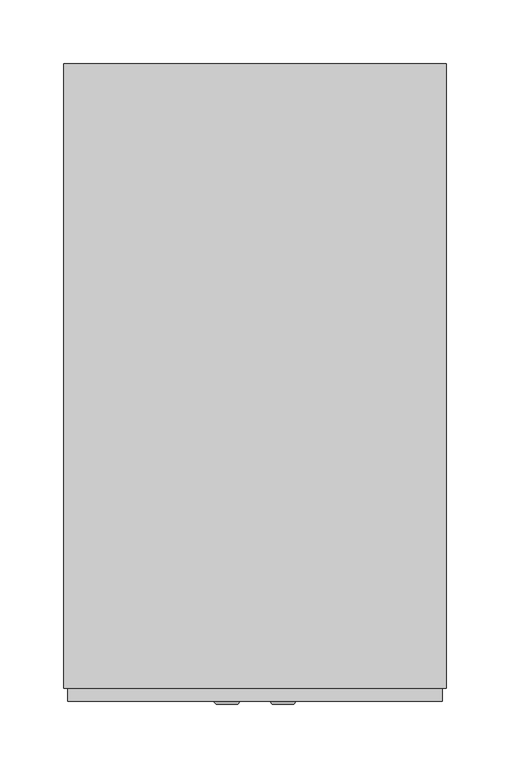
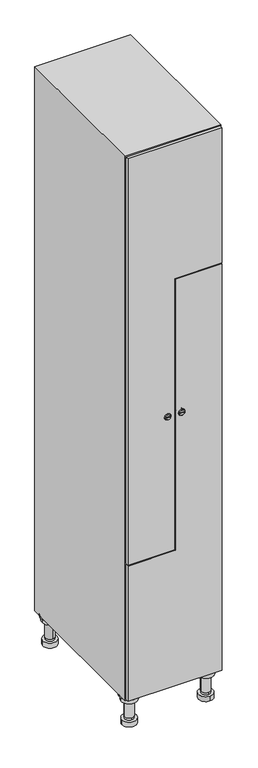
"""IFC4 building model written with IfcOpenShell, lengths in millimetres: furniture geometry."""

from ifc_helpers import new_model, si_unit, point, frame, frame_2d, origin, place, context, project, spatial, polyline, circle_curve, trimmed, segment, composite_curve, outline, extrude, faceted_brep, source, transform, mapped, element, save
from ifc_brep_helpers import plane_surface, cylinder_surface, revolved_surface, advanced_brep


def furniture_18ca4adf(model_context):
    return source(origin(), model_context, "Body", "SolidModel", [
        advanced_brep(
        [(70.0, -201.0, 22.0), (70.0, -201.5, 16.0), (70.0, -228.5, 16.0), (70.0, -229.0, 22.0), (56.0, -215.0, 22.0), (84.0, -215.0, 22.0), (70.0, -192.5, 16.0), (70.0, -237.5, 16.0), (70.0, -192.5, 0.0), (70.0, -237.5, 0.0), (84.0, -215.0, 78.0), (56.0, -215.0, 78.0), (95.0, -215.0, 78.0), (45.0, -215.0, 78.0), (100.0, -215.0, 94.0), (40.0, -215.0, 94.0), (45.0, -215.0, 94.0), (95.0, -215.0, 94.0), (100.0, -215.0, 100.0), (40.0, -215.0, 100.0)],
        [
            (0, 1),
            (1, 2, circle_curve(frame((70.0, -215.0, 16.0), z_axis=(0.0, 0.0, 1.0), x_axis=(0.0, -1.0, 0.0)), 13.5)),
            (2, 3),
            (3, 4, circle_curve(frame((70.0, -215.0, 22.0), z_axis=(0.0, 0.0, -1.0), x_axis=(0.0, -1.0, 0.0)), 14.0)),
            (4, 0, circle_curve(frame((70.0, -215.0, 22.0), z_axis=(0.0, 0.0, -1.0), x_axis=(0.0, -1.0, 0.0)), 14.0)),
            (0, 5, circle_curve(frame((70.0, -215.0, 22.0), z_axis=(0.0, 0.0, -1.0), x_axis=(0.0, 1.0, 0.0)), 14.0)),
            (5, 3, circle_curve(frame((70.0, -215.0, 22.0), z_axis=(0.0, 0.0, -1.0), x_axis=(0.0, 1.0, 0.0)), 14.0)),
            (2, 1, circle_curve(frame((70.0, -215.0, 16.0), z_axis=(0.0, 0.0, 1.0), x_axis=(0.0, 1.0, 0.0)), 13.5)),
            (6, 7, circle_curve(frame((70.0, -215.0, 16.0), z_axis=(0.0, 0.0, 1.0), x_axis=(0.0, -1.0, 0.0)), 22.5)),
            (7, 6, circle_curve(frame((70.0, -215.0, 16.0), z_axis=(0.0, 0.0, 1.0), x_axis=(0.0, -1.0, 0.0)), 22.5)),
            (8, 9, circle_curve(frame((70.0, -215.0, 0.0), z_axis=(0.0, 0.0, -1.0), x_axis=(0.0, -1.0, 0.0)), 22.5)),
            (9, 8, circle_curve(frame((70.0, -215.0, 0.0), z_axis=(0.0, 0.0, -1.0), x_axis=(0.0, -1.0, 0.0)), 22.5)),
            (6, 8),
            (9, 7),
            (5, 10),
            (10, 11, circle_curve(frame((70.0, -215.0, 78.0), z_axis=(0.0, 0.0, -1.0), x_axis=(-1.0, 0.0, 0.0)), 14.0)),
            (11, 4),
            (11, 10, circle_curve(frame((70.0, -215.0, 78.0), z_axis=(0.0, 0.0, -1.0), x_axis=(-1.0, 0.0, 0.0)), 14.0)),
            (12, 13, circle_curve(frame((70.0, -215.0, 78.0), z_axis=(0.0, 0.0, -1.0), x_axis=(-1.0, 0.0, 0.0)), 25.0)),
            (13, 12, circle_curve(frame((70.0, -215.0, 78.0), z_axis=(0.0, 0.0, -1.0), x_axis=(-1.0, 0.0, 0.0)), 25.0)),
            (14, 15, circle_curve(frame((70.0, -215.0, 94.0), z_axis=(0.0, 0.0, -1.0), x_axis=(-1.0, 0.0, 0.0)), 30.0)),
            (15, 14, circle_curve(frame((70.0, -215.0, 94.0), z_axis=(0.0, 0.0, -1.0), x_axis=(-1.0, 0.0, 0.0)), 30.0)),
            (16, 17, circle_curve(frame((70.0, -215.0, 94.0), z_axis=(0.0, 0.0, 1.0), x_axis=(-1.0, 0.0, 0.0)), 25.0)),
            (17, 16, circle_curve(frame((70.0, -215.0, 94.0), z_axis=(0.0, 0.0, 1.0), x_axis=(-1.0, 0.0, 0.0)), 25.0)),
            (18, 19, circle_curve(frame((70.0, -215.0, 100.0), z_axis=(0.0, 0.0, 1.0), x_axis=(-1.0, 0.0, 0.0)), 30.0)),
            (19, 18, circle_curve(frame((70.0, -215.0, 100.0), z_axis=(0.0, 0.0, 1.0), x_axis=(-1.0, 0.0, 0.0)), 30.0)),
            (14, 18),
            (19, 15),
            (12, 17),
            (16, 13),
        ],
        [
            revolved_surface(polyline([(70.0, -201.5, 16.0), (70.0, -201.0, 22.0)]), (70.0, -215.0, -146.0), (0.0, 0.0, 1.0)),
            plane_surface(frame((70.0, 0.0, 16.0), z_axis=(0.0, 0.0, 1.0), x_axis=(0.0, -1.0, 0.0))),
            plane_surface(frame((70.0, 0.0, 0.0), z_axis=(0.0, 0.0, -1.0), x_axis=(0.0, -1.0, 0.0))),
            cylinder_surface(frame((70.0, -215.0, 16.0), z_axis=(0.0, 0.0, 1.0), x_axis=(0.0, -1.0, 0.0)), 22.5),
            cylinder_surface(frame((70.0, -215.0, 22.0), z_axis=(0.0, 0.0, -1.0), x_axis=(-1.0, 0.0, 0.0)), 14.0),
            plane_surface(frame((70.0, 0.0, 78.0), z_axis=(0.0, 0.0, -1.0), x_axis=(0.0, -1.0, 0.0))),
            plane_surface(frame((70.0, 0.0, 94.0), z_axis=(0.0, 0.0, -1.0), x_axis=(0.0, -1.0, 0.0))),
            plane_surface(frame((70.0, 0.0, 100.0), z_axis=(0.0, 0.0, 1.0), x_axis=(0.0, -1.0, 0.0))),
            cylinder_surface(frame((70.0, -215.0, 94.0), z_axis=(0.0, 0.0, -1.0), x_axis=(-1.0, 0.0, 0.0)), 30.0),
            cylinder_surface(frame((70.0, -215.0, 78.0), z_axis=(0.0, 0.0, -1.0), x_axis=(-1.0, 0.0, 0.0)), 25.0),
        ],
        [
            (0, [[1, 2, 3, 4, 5]]),
            (0, [[-1, 6, 7, -3, 8]]),
            (1, [[9, 10], [-2, -8]]),
            (2, [[11, 12]]),
            (3, [[-9, 13, -12, 14]]),
            (3, [[-10, -14, -11, -13]]),
            (4, [[15, 16, 17, -4, -7]]),
            (4, [[-15, -6, -5, -17, 18]]),
            (5, [[19, 20], [-16, -18]]),
            (6, [[21, 22], [23, 24]]),
            (7, [[25, 26]]),
            (8, [[-21, 27, -26, 28]]),
            (8, [[-22, -28, -25, -27]]),
            (9, [[-19, 29, -23, 30]]),
            (9, [[-20, -30, -24, -29]]),
        ],
    ),
        advanced_brep(
        [(-170.0, -201.0, 22.0), (-170.0, -201.5, 16.0), (-170.0, -228.5, 16.0), (-170.0, -229.0, 22.0), (-184.0, -215.0, 22.0), (-156.0, -215.0, 22.0), (-147.5, -215.0, 0.0), (-192.5, -215.0, 0.0), (-147.5, -215.0, 16.0), (-192.5, -215.0, 16.0), (-156.0, -215.0, 78.0), (-184.0, -215.0, 78.0), (-145.0, -215.0, 78.0), (-195.0, -215.0, 78.0), (-140.0, -215.0, 94.0), (-200.0, -215.0, 94.0), (-195.0, -215.0, 94.0), (-145.0, -215.0, 94.0), (-140.0, -215.0, 100.0), (-200.0, -215.0, 100.0)],
        [
            (0, 1),
            (1, 2, circle_curve(frame((-170.0, -215.0, 16.0), z_axis=(0.0, 0.0, 1.0), x_axis=(0.0, -1.0, 0.0)), 13.5)),
            (2, 3),
            (3, 4, circle_curve(frame((-170.0, -215.0, 22.0), z_axis=(0.0, 0.0, -1.0), x_axis=(0.0, -1.0, 0.0)), 14.0)),
            (4, 0, circle_curve(frame((-170.0, -215.0, 22.0), z_axis=(0.0, 0.0, -1.0), x_axis=(0.0, -1.0, 0.0)), 14.0)),
            (0, 5, circle_curve(frame((-170.0, -215.0, 22.0), z_axis=(0.0, 0.0, -1.0), x_axis=(0.0, 1.0, 0.0)), 14.0)),
            (5, 3, circle_curve(frame((-170.0, -215.0, 22.0), z_axis=(0.0, 0.0, -1.0), x_axis=(0.0, 1.0, 0.0)), 14.0)),
            (2, 1, circle_curve(frame((-170.0, -215.0, 16.0), z_axis=(0.0, 0.0, 1.0), x_axis=(0.0, 1.0, 0.0)), 13.5)),
            (6, 7, circle_curve(frame((-170.0, -215.0, 0.0), z_axis=(0.0, 0.0, -1.0), x_axis=(-1.0, 0.0, 0.0)), 22.5)),
            (7, 6, circle_curve(frame((-170.0, -215.0, 0.0), z_axis=(0.0, 0.0, -1.0), x_axis=(-1.0, 0.0, 0.0)), 22.5)),
            (8, 9, circle_curve(frame((-170.0, -215.0, 16.0), z_axis=(0.0, 0.0, 1.0), x_axis=(-1.0, 0.0, 0.0)), 22.5)),
            (9, 8, circle_curve(frame((-170.0, -215.0, 16.0), z_axis=(0.0, 0.0, 1.0), x_axis=(-1.0, 0.0, 0.0)), 22.5)),
            (6, 8),
            (9, 7),
            (5, 10),
            (10, 11, circle_curve(frame((-170.0, -215.0, 78.0), z_axis=(0.0, 0.0, -1.0), x_axis=(-1.0, 0.0, 0.0)), 14.0)),
            (11, 4),
            (11, 10, circle_curve(frame((-170.0, -215.0, 78.0), z_axis=(0.0, 0.0, -1.0), x_axis=(-1.0, 0.0, 0.0)), 14.0)),
            (12, 13, circle_curve(frame((-170.0, -215.0, 78.0), z_axis=(0.0, 0.0, -1.0), x_axis=(-1.0, 0.0, 0.0)), 25.0)),
            (13, 12, circle_curve(frame((-170.0, -215.0, 78.0), z_axis=(0.0, 0.0, -1.0), x_axis=(-1.0, 0.0, 0.0)), 25.0)),
            (14, 15, circle_curve(frame((-170.0, -215.0, 94.0), z_axis=(0.0, 0.0, -1.0), x_axis=(-1.0, 0.0, 0.0)), 30.0)),
            (15, 14, circle_curve(frame((-170.0, -215.0, 94.0), z_axis=(0.0, 0.0, -1.0), x_axis=(-1.0, 0.0, 0.0)), 30.0)),
            (16, 17, circle_curve(frame((-170.0, -215.0, 94.0), z_axis=(0.0, 0.0, 1.0), x_axis=(-1.0, 0.0, 0.0)), 25.0)),
            (17, 16, circle_curve(frame((-170.0, -215.0, 94.0), z_axis=(0.0, 0.0, 1.0), x_axis=(-1.0, 0.0, 0.0)), 25.0)),
            (18, 19, circle_curve(frame((-170.0, -215.0, 100.0), z_axis=(0.0, 0.0, 1.0), x_axis=(-1.0, 0.0, 0.0)), 30.0)),
            (19, 18, circle_curve(frame((-170.0, -215.0, 100.0), z_axis=(0.0, 0.0, 1.0), x_axis=(-1.0, 0.0, 0.0)), 30.0)),
            (14, 18),
            (19, 15),
            (12, 17),
            (16, 13),
        ],
        [
            revolved_surface(polyline([(-170.0, -201.5, 16.0), (-170.0, -201.0, 22.0)]), (-170.0, -215.0, -146.0), (0.0, 0.0, 1.0)),
            plane_surface(frame((-170.0, 0.0, 0.0), z_axis=(0.0, 0.0, -1.0), x_axis=(0.0, -1.0, 0.0))),
            plane_surface(frame((-170.0, 0.0, 16.0), z_axis=(0.0, 0.0, 1.0), x_axis=(0.0, -1.0, 0.0))),
            cylinder_surface(frame((-170.0, -215.0, 0.0), z_axis=(0.0, 0.0, -1.0), x_axis=(-1.0, 0.0, 0.0)), 22.5),
            cylinder_surface(frame((-170.0, -215.0, 22.0), z_axis=(0.0, 0.0, -1.0), x_axis=(-1.0, 0.0, 0.0)), 14.0),
            plane_surface(frame((-170.0, 0.0, 78.0), z_axis=(0.0, 0.0, -1.0), x_axis=(0.0, -1.0, 0.0))),
            plane_surface(frame((-170.0, 0.0, 94.0), z_axis=(0.0, 0.0, -1.0), x_axis=(0.0, -1.0, 0.0))),
            plane_surface(frame((-170.0, 0.0, 100.0), z_axis=(0.0, 0.0, 1.0), x_axis=(0.0, -1.0, 0.0))),
            cylinder_surface(frame((-170.0, -215.0, 94.0), z_axis=(0.0, 0.0, -1.0), x_axis=(-1.0, 0.0, 0.0)), 30.0),
            cylinder_surface(frame((-170.0, -215.0, 78.0), z_axis=(0.0, 0.0, -1.0), x_axis=(-1.0, 0.0, 0.0)), 25.0),
        ],
        [
            (0, [[1, 2, 3, 4, 5]]),
            (0, [[-1, 6, 7, -3, 8]]),
            (1, [[9, 10]]),
            (2, [[11, 12], [-2, -8]]),
            (3, [[-9, 13, -12, 14]]),
            (3, [[-10, -14, -11, -13]]),
            (4, [[15, 16, 17, -4, -7]]),
            (4, [[-15, -6, -5, -17, 18]]),
            (5, [[19, 20], [-16, -18]]),
            (6, [[21, 22], [23, 24]]),
            (7, [[25, 26]]),
            (8, [[-21, 27, -26, 28]]),
            (8, [[-22, -28, -25, -27]]),
            (9, [[-19, 29, -23, 30]]),
            (9, [[-20, -30, -24, -29]]),
        ],
    ),
        advanced_brep(
        [(83.5, 215.0, 16.0), (84.0, 215.0, 22.0), (56.0, 215.0, 22.0), (56.5, 215.0, 16.0), (92.5, 215.0, 0.0), (47.5, 215.0, 0.0), (92.5, 215.0, 16.0), (47.5, 215.0, 16.0), (84.0, 215.0, 78.0), (56.0, 215.0, 78.0), (95.0, 215.0, 78.0), (45.0, 215.0, 78.0), (100.0, 215.0, 94.0), (40.0, 215.0, 94.0), (45.0, 215.0, 94.0), (95.0, 215.0, 94.0), (100.0, 215.0, 100.0), (40.0, 215.0, 100.0)],
        [
            (0, 1),
            (1, 2, circle_curve(frame((70.0, 215.0, 22.0), z_axis=(0.0, 0.0, -1.0), x_axis=(-1.0, 0.0, 0.0)), 14.0)),
            (2, 3),
            (3, 0, circle_curve(frame((70.0, 215.0, 16.0), z_axis=(0.0, 0.0, 1.0), x_axis=(-1.0, 0.0, 0.0)), 13.5)),
            (0, 3, circle_curve(frame((70.0, 215.0, 16.0), z_axis=(0.0, 0.0, 1.0), x_axis=(1.0, 0.0, 0.0)), 13.5)),
            (2, 1, circle_curve(frame((70.0, 215.0, 22.0), z_axis=(0.0, 0.0, -1.0), x_axis=(1.0, 0.0, 0.0)), 14.0)),
            (4, 5, circle_curve(frame((70.0, 215.0, 0.0), z_axis=(0.0, 0.0, -1.0), x_axis=(-1.0, 0.0, 0.0)), 22.5)),
            (5, 4, circle_curve(frame((70.0, 215.0, 0.0), z_axis=(0.0, 0.0, -1.0), x_axis=(-1.0, 0.0, 0.0)), 22.5)),
            (6, 7, circle_curve(frame((70.0, 215.0, 16.0), z_axis=(0.0, 0.0, 1.0), x_axis=(-1.0, 0.0, 0.0)), 22.5)),
            (7, 6, circle_curve(frame((70.0, 215.0, 16.0), z_axis=(0.0, 0.0, 1.0), x_axis=(-1.0, 0.0, 0.0)), 22.5)),
            (4, 6),
            (7, 5),
            (1, 8),
            (8, 9, circle_curve(frame((70.0, 215.0, 78.0), z_axis=(0.0, 0.0, -1.0), x_axis=(-1.0, 0.0, 0.0)), 14.0)),
            (9, 2),
            (9, 8, circle_curve(frame((70.0, 215.0, 78.0), z_axis=(0.0, 0.0, -1.0), x_axis=(-1.0, 0.0, 0.0)), 14.0)),
            (10, 11, circle_curve(frame((70.0, 215.0, 78.0), z_axis=(0.0, 0.0, -1.0), x_axis=(-1.0, 0.0, 0.0)), 25.0)),
            (11, 10, circle_curve(frame((70.0, 215.0, 78.0), z_axis=(0.0, 0.0, -1.0), x_axis=(-1.0, 0.0, 0.0)), 25.0)),
            (12, 13, circle_curve(frame((70.0, 215.0, 94.0), z_axis=(0.0, 0.0, -1.0), x_axis=(-1.0, 0.0, 0.0)), 30.0)),
            (13, 12, circle_curve(frame((70.0, 215.0, 94.0), z_axis=(0.0, 0.0, -1.0), x_axis=(-1.0, 0.0, 0.0)), 30.0)),
            (14, 15, circle_curve(frame((70.0, 215.0, 94.0), z_axis=(0.0, 0.0, 1.0), x_axis=(-1.0, 0.0, 0.0)), 25.0)),
            (15, 14, circle_curve(frame((70.0, 215.0, 94.0), z_axis=(0.0, 0.0, 1.0), x_axis=(-1.0, 0.0, 0.0)), 25.0)),
            (16, 17, circle_curve(frame((70.0, 215.0, 100.0), z_axis=(0.0, 0.0, 1.0), x_axis=(-1.0, 0.0, 0.0)), 30.0)),
            (17, 16, circle_curve(frame((70.0, 215.0, 100.0), z_axis=(0.0, 0.0, 1.0), x_axis=(-1.0, 0.0, 0.0)), 30.0)),
            (12, 16),
            (17, 13),
            (10, 15),
            (14, 11),
        ],
        [
            revolved_surface(polyline([(83.5, 215.0, 16.0), (84.0, 215.0, 22.0)]), (70.0, 215.0, -146.0), (0.0, 0.0, 1.0)),
            plane_surface(frame((70.0, 0.0, 0.0), z_axis=(0.0, 0.0, -1.0), x_axis=(0.0, -1.0, 0.0))),
            plane_surface(frame((70.0, 0.0, 16.0), z_axis=(0.0, 0.0, 1.0), x_axis=(0.0, -1.0, 0.0))),
            cylinder_surface(frame((70.0, 215.0, 0.0), z_axis=(0.0, 0.0, -1.0), x_axis=(-1.0, 0.0, 0.0)), 22.5),
            cylinder_surface(frame((70.0, 215.0, 22.0), z_axis=(0.0, 0.0, -1.0), x_axis=(-1.0, 0.0, 0.0)), 14.0),
            plane_surface(frame((70.0, 0.0, 78.0), z_axis=(0.0, 0.0, -1.0), x_axis=(0.0, -1.0, 0.0))),
            plane_surface(frame((70.0, 0.0, 94.0), z_axis=(0.0, 0.0, -1.0), x_axis=(0.0, -1.0, 0.0))),
            plane_surface(frame((70.0, 0.0, 100.0), z_axis=(0.0, 0.0, 1.0), x_axis=(0.0, -1.0, 0.0))),
            cylinder_surface(frame((70.0, 215.0, 94.0), z_axis=(0.0, 0.0, -1.0), x_axis=(-1.0, 0.0, 0.0)), 30.0),
            cylinder_surface(frame((70.0, 215.0, 78.0), z_axis=(0.0, 0.0, -1.0), x_axis=(-1.0, 0.0, 0.0)), 25.0),
        ],
        [
            (0, [[1, 2, 3, 4]]),
            (0, [[-1, 5, -3, 6]]),
            (1, [[7, 8]]),
            (2, [[9, 10], [-4, -5]]),
            (3, [[-7, 11, -10, 12]]),
            (3, [[-8, -12, -9, -11]]),
            (4, [[13, 14, 15, -2]]),
            (4, [[-13, -6, -15, 16]]),
            (5, [[17, 18], [-14, -16]]),
            (6, [[19, 20], [21, 22]]),
            (7, [[23, 24]]),
            (8, [[-19, 25, -24, 26]]),
            (8, [[-20, -26, -23, -25]]),
            (9, [[-17, 27, -21, 28]]),
            (9, [[-18, -28, -22, -27]]),
        ],
    ),
        advanced_brep(
        [(-156.5, 215.0, 16.0), (-156.0, 215.0, 22.0), (-170.0, 201.0, 22.0), (-184.0, 215.0, 22.0), (-183.5, 215.0, 16.0), (-170.0, 229.0, 22.0), (-147.5, 215.0, 0.0), (-192.5, 215.0, 0.0), (-147.5, 215.0, 16.0), (-192.5, 215.0, 16.0), (-170.0, 229.0, 78.0), (-170.0, 201.0, 78.0), (-145.0, 215.0, 78.0), (-195.0, 215.0, 78.0), (-140.0, 215.0, 94.0), (-200.0, 215.0, 94.0), (-195.0, 215.0, 94.0), (-145.0, 215.0, 94.0), (-140.0, 215.0, 100.0), (-200.0, 215.0, 100.0)],
        [
            (0, 1),
            (1, 2, circle_curve(frame((-170.0, 215.0, 22.0), z_axis=(0.0, 0.0, -1.0), x_axis=(-1.0, 0.0, 0.0)), 14.0)),
            (2, 3, circle_curve(frame((-170.0, 215.0, 22.0), z_axis=(0.0, 0.0, -1.0), x_axis=(-1.0, 0.0, 0.0)), 14.0)),
            (3, 4),
            (4, 0, circle_curve(frame((-170.0, 215.0, 16.0), z_axis=(0.0, 0.0, 1.0), x_axis=(-1.0, 0.0, 0.0)), 13.5)),
            (0, 4, circle_curve(frame((-170.0, 215.0, 16.0), z_axis=(0.0, 0.0, 1.0), x_axis=(1.0, 0.0, 0.0)), 13.5)),
            (3, 5, circle_curve(frame((-170.0, 215.0, 22.0), z_axis=(0.0, 0.0, -1.0), x_axis=(1.0, 0.0, 0.0)), 14.0)),
            (5, 1, circle_curve(frame((-170.0, 215.0, 22.0), z_axis=(0.0, 0.0, -1.0), x_axis=(1.0, 0.0, 0.0)), 14.0)),
            (6, 7, circle_curve(frame((-170.0, 215.0, 0.0), z_axis=(0.0, 0.0, -1.0), x_axis=(-1.0, 0.0, 0.0)), 22.5)),
            (7, 6, circle_curve(frame((-170.0, 215.0, 0.0), z_axis=(0.0, 0.0, -1.0), x_axis=(-1.0, 0.0, 0.0)), 22.5)),
            (8, 9, circle_curve(frame((-170.0, 215.0, 16.0), z_axis=(0.0, 0.0, 1.0), x_axis=(-1.0, 0.0, 0.0)), 22.5)),
            (9, 8, circle_curve(frame((-170.0, 215.0, 16.0), z_axis=(0.0, 0.0, 1.0), x_axis=(-1.0, 0.0, 0.0)), 22.5)),
            (6, 8),
            (9, 7),
            (10, 5),
            (2, 11),
            (11, 10, circle_curve(frame((-170.0, 215.0, 78.0), z_axis=(0.0, 0.0, -1.0), x_axis=(0.0, -1.0, 0.0)), 14.0)),
            (10, 11, circle_curve(frame((-170.0, 215.0, 78.0), z_axis=(0.0, 0.0, -1.0), x_axis=(0.0, -1.0, 0.0)), 14.0)),
            (12, 13, circle_curve(frame((-170.0, 215.0, 78.0), z_axis=(0.0, 0.0, -1.0), x_axis=(-1.0, 0.0, 0.0)), 25.0)),
            (13, 12, circle_curve(frame((-170.0, 215.0, 78.0), z_axis=(0.0, 0.0, -1.0), x_axis=(-1.0, 0.0, 0.0)), 25.0)),
            (14, 15, circle_curve(frame((-170.0, 215.0, 94.0), z_axis=(0.0, 0.0, -1.0), x_axis=(-1.0, 0.0, 0.0)), 30.0)),
            (15, 14, circle_curve(frame((-170.0, 215.0, 94.0), z_axis=(0.0, 0.0, -1.0), x_axis=(-1.0, 0.0, 0.0)), 30.0)),
            (16, 17, circle_curve(frame((-170.0, 215.0, 94.0), z_axis=(0.0, 0.0, 1.0), x_axis=(-1.0, 0.0, 0.0)), 25.0)),
            (17, 16, circle_curve(frame((-170.0, 215.0, 94.0), z_axis=(0.0, 0.0, 1.0), x_axis=(-1.0, 0.0, 0.0)), 25.0)),
            (18, 19, circle_curve(frame((-170.0, 215.0, 100.0), z_axis=(0.0, 0.0, 1.0), x_axis=(-1.0, 0.0, 0.0)), 30.0)),
            (19, 18, circle_curve(frame((-170.0, 215.0, 100.0), z_axis=(0.0, 0.0, 1.0), x_axis=(-1.0, 0.0, 0.0)), 30.0)),
            (14, 18),
            (19, 15),
            (12, 17),
            (16, 13),
        ],
        [
            revolved_surface(polyline([(-156.5, 215.0, 16.0), (-156.0, 215.0, 22.0)]), (-170.0, 215.0, -146.0), (0.0, 0.0, 1.0)),
            plane_surface(frame((-170.0, 0.0, 0.0), z_axis=(0.0, 0.0, -1.0), x_axis=(0.0, -1.0, 0.0))),
            plane_surface(frame((-170.0, 0.0, 16.0), z_axis=(0.0, 0.0, 1.0), x_axis=(0.0, -1.0, 0.0))),
            cylinder_surface(frame((-170.0, 215.0, 0.0), z_axis=(0.0, 0.0, -1.0), x_axis=(-1.0, 0.0, 0.0)), 22.5),
            cylinder_surface(frame((-170.0, 215.0, 78.0), z_axis=(0.0, 0.0, 1.0), x_axis=(0.0, -1.0, 0.0)), 14.0),
            plane_surface(frame((-170.0, 0.0, 78.0), z_axis=(0.0, 0.0, -1.0), x_axis=(0.0, -1.0, 0.0))),
            plane_surface(frame((-170.0, 0.0, 94.0), z_axis=(0.0, 0.0, -1.0), x_axis=(0.0, -1.0, 0.0))),
            plane_surface(frame((-170.0, 0.0, 100.0), z_axis=(0.0, 0.0, 1.0), x_axis=(0.0, -1.0, 0.0))),
            cylinder_surface(frame((-170.0, 215.0, 94.0), z_axis=(0.0, 0.0, -1.0), x_axis=(-1.0, 0.0, 0.0)), 30.0),
            cylinder_surface(frame((-170.0, 215.0, 78.0), z_axis=(0.0, 0.0, -1.0), x_axis=(-1.0, 0.0, 0.0)), 25.0),
        ],
        [
            (0, [[1, 2, 3, 4, 5]]),
            (0, [[-1, 6, -4, 7, 8]]),
            (1, [[9, 10]]),
            (2, [[11, 12], [-5, -6]]),
            (3, [[-9, 13, -12, 14]]),
            (3, [[-10, -14, -11, -13]]),
            (4, [[15, -7, -3, 16, 17]]),
            (4, [[-15, 18, -16, -2, -8]]),
            (5, [[19, 20], [-17, -18]]),
            (6, [[21, 22], [23, 24]]),
            (7, [[25, 26]]),
            (8, [[-21, 27, -26, 28]]),
            (8, [[-22, -28, -25, -27]]),
            (9, [[-19, 29, -23, 30]]),
            (9, [[-20, -30, -24, -29]]),
        ],
    ),
        extrude(outline(composite_curve([segment(trimmed(circle_curve(frame_2d((1000.0, -45.2010534)), 7.0), [point((993.0, -45.2010534))], [point((1007.0, -45.2010534))], False, "CARTESIAN"), True, "CONTINUOUS"), segment(polyline([(1007.0, -45.2010534), (1007.0, -73.2010534)]), True, "CONTINUOUS"), segment(trimmed(circle_curve(frame_2d((1000.0, -73.2010534)), 7.0), [point((1007.0, -73.2010534))], [point((993.0, -73.2010534))], False, "CARTESIAN"), True, "CONTINUOUS"), segment(polyline([(993.0, -73.2010534), (993.0, -45.2010534)]), True, "CONTINUOUS")], self_intersect=False)), frame((0.0, -245.0, 0.0), z_axis=(0.0, 1.0, 0.0), x_axis=(0.0, 0.0, 1.0)), (0.0, 0.0, 1.0), 2.0),
        advanced_brep(
        [(-80.5, -257.2, 1000.0), (-63.5, -257.2, 1000.0), (-67.0, -257.2, 1001.25), (-67.0, -257.2, 998.75), (-77.0, -257.2, 998.75), (-77.0, -257.2, 1001.25), (-82.5, -255.0, 1000.0), (-61.5, -255.0, 1000.0), (-67.0, -255.0, 998.75), (-67.0, -255.0, 1001.25), (-77.0, -255.0, 1001.25), (-77.0, -255.0, 998.75)],
        [
            (0, 1, circle_curve(frame((-72.0, -257.2, 1000.0), z_axis=(0.0, -1.0, 0.0), x_axis=(-1.0, 0.0, 0.0)), 8.5)),
            (1, 0, circle_curve(frame((-72.0, -257.2, 1000.0), z_axis=(0.0, -1.0, 0.0), x_axis=(1.0, 0.0, 0.0)), 8.5)),
            (2, 3),
            (3, 4),
            (4, 5),
            (5, 2),
            (6, 7, circle_curve(frame((-72.0, -255.0, 1000.0), z_axis=(0.0, 1.0, 0.0), x_axis=(1.0, 0.0, 0.0)), 10.5)),
            (7, 6, circle_curve(frame((-72.0, -255.0, 1000.0), z_axis=(0.0, 1.0, 0.0), x_axis=(-1.0, 0.0, 0.0)), 10.5)),
            (8, 9),
            (9, 10),
            (10, 11),
            (11, 8),
            (0, 6),
            (7, 1),
            (8, 3),
            (2, 9),
            (11, 4),
            (10, 5),
        ],
        [
            plane_surface(frame((-72.0, -257.2, 1000.0), z_axis=(0.0, -1.0, 0.0), x_axis=(0.0, 0.0, -1.0))),
            plane_surface(frame((-72.0, -255.0, 1000.0), z_axis=(0.0, 1.0, 0.0), x_axis=(0.0, 0.0, -1.0))),
            revolved_surface(polyline([(-80.50000000000001, -257.2, 1000.0), (-82.5, -255.0, 1000.0)]), (-72.0, -266.55, 1000.0), (0.0, 1.0, 0.0)),
            revolved_surface(polyline([(-63.499999999999986, -257.2, 1000.0), (-61.5, -255.0, 1000.0)]), (-72.0, -266.55, 1000.0), (0.0, 1.0, 0.0)),
            plane_surface(frame((-67.0, -255.0, 1001.25), z_axis=(-1.0, 0.0, 0.0), x_axis=(0.0, -1.0, 0.0))),
            plane_surface(frame((-67.0, -255.0, 998.75), z_axis=(0.0, 0.0, 1.0), x_axis=(0.0, -1.0, 0.0))),
            plane_surface(frame((-77.0, -255.0, 998.75), z_axis=(1.0, 0.0, 0.0), x_axis=(0.0, -1.0, 0.0))),
            plane_surface(frame((-77.0, -255.0, 1001.25), z_axis=(0.0, 0.0, -1.0), x_axis=(0.0, -1.0, 0.0))),
        ],
        [
            (0, [[1, 2], [3, 4, 5, 6]]),
            (1, [[7, 8], [9, 10, 11, 12]]),
            (2, [[-1, 13, -8, 14]]),
            (3, [[-2, -14, -7, -13]]),
            (4, [[15, -3, 16, -9]]),
            (5, [[-15, -12, 17, -4]]),
            (6, [[-17, -11, 18, -5]]),
            (7, [[-16, -6, -18, -10]]),
        ],
    ),
        extrude(outline(polyline([(1897.0, -197.0), (553.0, -197.0), (553.0, -51.5), (1450.0, -51.5), (1450.0, 97.0), (1897.0, 97.0), (1897.0, -197.0)])), frame((0.0, -255.0, 0.0), z_axis=(0.0, 1.0, 0.0), x_axis=(0.0, 0.0, 1.0)), (0.0, 0.0, 1.0), 10.0),
        extrude(outline(composite_curve([segment(trimmed(circle_curve(frame_2d((1000.0, -54.7989466)), 7.0), [point((1007.0, -54.7989466))], [point((993.0, -54.7989466))], False, "CARTESIAN"), True, "CONTINUOUS"), segment(polyline([(993.0, -54.7989466), (993.0, -26.7989466)]), True, "CONTINUOUS"), segment(trimmed(circle_curve(frame_2d((1000.0, -26.7989466)), 7.0), [point((993.0, -26.7989466))], [point((1007.0, -26.7989466))], False, "CARTESIAN"), True, "CONTINUOUS"), segment(polyline([(1007.0, -26.7989466), (1007.0, -54.7989466)]), True, "CONTINUOUS")], self_intersect=False)), frame((0.0, -245.0, 0.0), z_axis=(0.0, 1.0, 0.0), x_axis=(0.0, 0.0, 1.0)), (0.0, 0.0, 1.0), 2.0),
        advanced_brep(
        [(-19.5, -257.2, 1000.0), (-36.5, -257.2, 1000.0), (-33.0, -257.2, 998.75), (-33.0, -257.2, 1001.25), (-23.0, -257.2, 1001.25), (-23.0, -257.2, 998.75), (-17.5, -255.0, 1000.0), (-38.5, -255.0, 1000.0), (-33.0, -255.0, 1001.25), (-33.0, -255.0, 998.75), (-23.0, -255.0, 998.75), (-23.0, -255.0, 1001.25)],
        [
            (0, 1, circle_curve(frame((-28.0, -257.2, 1000.0), z_axis=(0.0, -1.0, 0.0), x_axis=(1.0, 0.0, 0.0)), 8.5)),
            (1, 0, circle_curve(frame((-28.0, -257.2, 1000.0), z_axis=(0.0, -1.0, 0.0), x_axis=(-1.0, 0.0, 0.0)), 8.5)),
            (2, 3),
            (3, 4),
            (4, 5),
            (5, 2),
            (6, 7, circle_curve(frame((-28.0, -255.0, 1000.0), z_axis=(0.0, 1.0, 0.0), x_axis=(-1.0, 0.0, 0.0)), 10.5)),
            (7, 6, circle_curve(frame((-28.0, -255.0, 1000.0), z_axis=(0.0, 1.0, 0.0), x_axis=(1.0, 0.0, 0.0)), 10.5)),
            (8, 9),
            (9, 10),
            (10, 11),
            (11, 8),
            (0, 6),
            (7, 1),
            (8, 3),
            (2, 9),
            (11, 4),
            (10, 5),
        ],
        [
            plane_surface(frame((-28.0, -257.2, 1000.0), z_axis=(0.0, -1.0, 0.0), x_axis=(0.0, 0.0, 1.0))),
            plane_surface(frame((-28.0, -255.0, 1000.0), z_axis=(0.0, 1.0, 0.0), x_axis=(0.0, 0.0, 1.0))),
            revolved_surface(polyline([(-19.499999999999986, -257.2, 1000.0), (-17.5, -255.0, 1000.0)]), (-28.0, -266.55, 1000.0), (0.0, 1.0, 0.0)),
            revolved_surface(polyline([(-36.500000000000014, -257.2, 1000.0), (-38.5, -255.0, 1000.0)]), (-28.0, -266.55, 1000.0), (0.0, 1.0, 0.0)),
            plane_surface(frame((-33.0, -255.0, 998.75), z_axis=(1.0, 0.0, 0.0), x_axis=(0.0, -1.0, 0.0))),
            plane_surface(frame((-33.0, -255.0, 1001.25), z_axis=(0.0, 0.0, -1.0), x_axis=(0.0, -1.0, 0.0))),
            plane_surface(frame((-23.0, -255.0, 1001.25), z_axis=(-1.0, 0.0, 0.0), x_axis=(0.0, -1.0, 0.0))),
            plane_surface(frame((-23.0, -255.0, 998.75), z_axis=(0.0, 0.0, 1.0), x_axis=(0.0, -1.0, 0.0))),
        ],
        [
            (0, [[1, 2], [3, 4, 5, 6]]),
            (1, [[7, 8], [9, 10, 11, 12]]),
            (2, [[-1, 13, -8, 14]]),
            (3, [[-2, -14, -7, -13]]),
            (4, [[15, -3, 16, -9]]),
            (5, [[-15, -12, 17, -4]]),
            (6, [[-17, -11, 18, -5]]),
            (7, [[-16, -6, -18, -10]]),
        ],
    ),
        extrude(outline(polyline([(103.0, 97.0), (1447.0, 97.0), (1447.0, -48.5), (550.0, -48.5), (550.0, -197.0), (103.0, -197.0), (103.0, 97.0)])), frame((0.0, -255.0, 0.0), z_axis=(0.0, 1.0, 0.0), x_axis=(0.0, 0.0, 1.0)), (0.0, 0.0, 1.0), 10.0),
        extrude(outline(polyline([(1443.5, 90.0), (1453.5, 90.0), (1453.5, -55.0), (556.5, -55.0), (556.5, -190.0), (546.5, -190.0), (546.5, -45.0), (1443.5, -45.0), (1443.5, 90.0)])), frame((0.0, -245.0, 0.0), z_axis=(0.0, 1.0, 0.0), x_axis=(0.0, 0.0, 1.0)), (0.0, 0.0, 1.0), 486.0),
        faceted_brep([(100.0, -245.0, 100.0), (100.0, -245.0, 1900.0), (-200.0, -245.0, 1900.0), (-200.0, -245.0, 100.0), (90.0, -245.0, 1890.0), (90.0, -245.0, 110.0), (-190.0, -245.0, 110.0), (-190.0, -245.0, 1890.0), (100.0, 245.0, 100.0), (-200.0, 245.0, 100.0), (100.0, 245.0, 1900.0), (-200.0, 245.0, 1900.0), (90.0, 241.0, 1890.0), (90.0, 241.0, 110.0), (-200.0, 245.0, 1890.0), (-190.0, 241.0, 1890.0), (-190.0, 241.0, 110.0)], [[[0, 1, 2, 3], [4, 5, 6, 7]], [[8, 0, 3, 9]], [[1, 0, 8, 10]], [[1, 10, 11, 2]], [[4, 12, 13, 5]], [[9, 3, 2, 11, 14]], [[10, 8, 9, 14, 11]], [[12, 15, 16, 13]], [[15, 7, 6, 16]], [[4, 7, 15, 12]], [[6, 5, 13, 16]]]),
    ])


if __name__ == "__main__":
    model = new_model("IFC4")
    model_context = context("Model", 3, world=origin())
    ifc_project = project(units=[si_unit("LENGTHUNIT", "METRE", prefix="MILLI")], contexts=[model_context])
    site = spatial("IfcSite", under=ifc_project)
    building = spatial("IfcBuilding", under=site)
    placement = place(None, origin())
    furniture_shape = furniture_18ca4adf(model_context)
    element("IfcFurniture", 1, at=placement, inside=building, context=model_context, shape_type="MappedRepresentation", body=[
        mapped(furniture_shape, transform((0.0, 0.0, 0.0), x_axis=(1.0, 0.0, 0.0), y_axis=(0.0, 1.0, 0.0), z_axis=(0.0, 0.0, 1.0))),
    ])
    save(model, "model.ifc")
